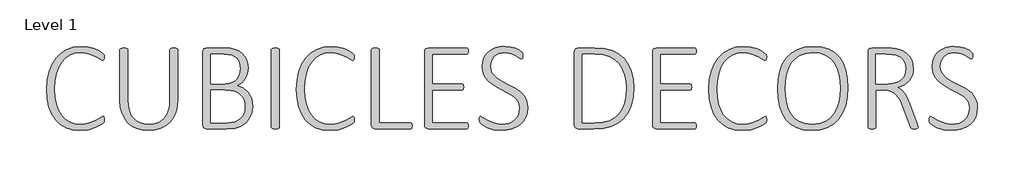
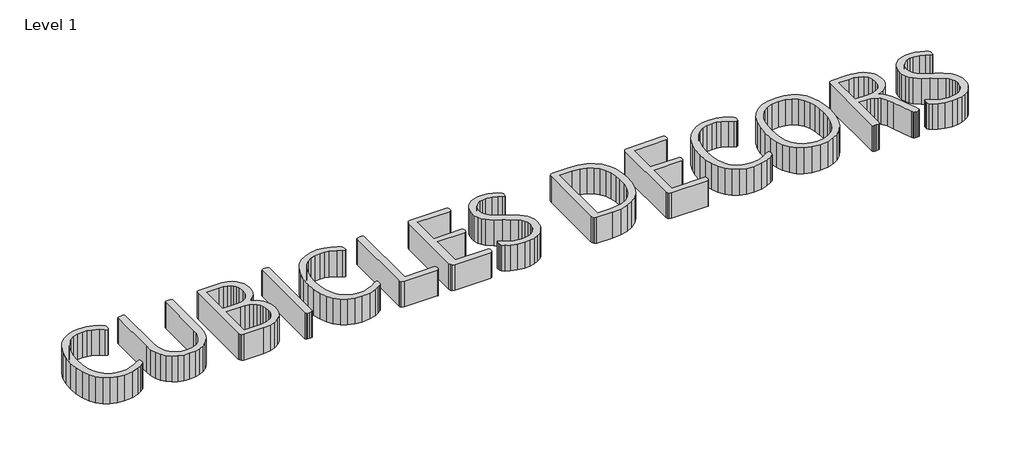
# One storey, part 4 of 4: 1 proxy.
"""IFC4 building model written with IfcOpenShell, lengths in millimetres."""

from ifc_helpers import new_model, si_unit, origin, origin_with_axes, place, context, project, spatial, polyline, outline, extrude, element, save

model = new_model("IFC4")

# Units and contexts
model_context = context("Model", 3, world=origin())
ifc_project = project(units=[si_unit("LENGTHUNIT", "METRE", prefix="MILLI")], contexts=[model_context])

# Site, building, storey
site = spatial("IfcSite", under=ifc_project)
building = spatial("IfcBuilding", under=site)
storey = spatial("IfcBuildingStorey", under=building, Name="Level 1", Elevation=0.0)

# Proxy
placement = place(None, origin())
element("IfcBuildingElementProxy", 1, Name="Generic Models", at=placement, inside=storey, context=model_context, shape_type="SweptSolid", body=[
    extrude(outline(polyline([(-8197.5542872, 7016.7643686), (-8197.8744716, 7010.8089383), (-8198.8350249, 7006.1342457), (-8200.6280577, 7002.2920325), (-8204.918529, 6997.6173399), (-8218.4943487, 6988.1398809), (-8244.7494716, 6975.1403932), (-8281.1224224, 6964.1260489), (-8326.5245741, 6959.5153932), (-8364.4824378, 6963.0854495), (-8398.6941437, 6973.7956186), (-8428.6153784, 6991.3737436), (-8453.7018282, 7015.5476678), (-8473.7613825, 7046.2053266), (-8488.6019306, 7083.2346555), (-8497.7752144, 7126.2994608), (-8500.8329757, 7175.0635489), (-8497.5510853, 7225.3485131), (-8487.7054142, 7270.1583235), (-8471.9043128, 7309.0607313), (-8450.7561315, 7341.6234875), (-8424.5490362, 7367.558426), (-8393.5711929, 7386.5773809), (-8358.4309521, 7398.2481032), (-8319.7366642, 7402.138344), (-8282.8514183, 7398.6163153), (-8249.8083855, 7389.5871145), (-8222.7207831, 7376.9718481), (-8206.2633036, 7365.5092457), (-8200.6280577, 7359.4897784), (-8198.8350249, 7355.6475653), (-8197.8744716, 7350.780762), (-8197.5542872, 7344.7612948), (-8198.0665823, 7337.8453112), (-8199.7315413, 7332.7863973), (-8202.5491642, 7329.5205161), (-8206.5194511, 7328.3678522), (-8219.5829757, 7334.7075039), (-8241.8037749, 7348.8596555), (-8275.4871765, 7363.0118071), (-8297.3077452, 7367.7665459), (-8322.9385085, 7369.3514588), (-8351.8191437, 7366.2136514), (-8378.2663774, 7356.8002293), (-8401.7038774, 7341.2712846), (-8421.5553118, 7319.7869096), (-8437.62857, 7292.5071965), (-8449.7315413, 7259.5922375), (-8457.3199122, 7221.1701063), (-8459.8493692, 7177.3688768), (-8457.5440413, 7135.5207723), (-8450.6280577, 7098.6035079), (-8439.3575659, 7066.8732313), (-8423.9887134, 7040.5860899), (-8404.5054911, 7019.8221299), (-8380.8918896, 7004.6613973), (-8353.4680935, 6995.3920582), (-8322.5542872, 6992.3022784), (-8297.5959112, 6993.8871914), (-8275.9994716, 6998.6419301), (-8241.9318487, 7012.7940817), (-8218.7504962, 7026.9462334), (-8204.8544921, 7033.285885), (-8201.5245741, 7032.5174424), (-8199.4113569, 7029.8278932), (-8198.0665823, 7024.7049424), (-8197.5542872, 7016.7643686)])), origin_with_axes(), (0.0, 0.0, 1.0), 150.0),
    extrude(outline(polyline([(-7812.3083855, 7122.1690817), (-7815.0459624, 7085.3798911), (-7823.2586929, 7052.8811719), (-7836.5143282, 7024.9130623), (-7854.3806192, 7001.7157006), (-7876.6814644, 6983.4331698), (-7903.2407626, 6970.209553), (-7933.6582831, 6962.1889332), (-7967.5337954, 6959.5153932), (-7998.5436571, 6962.0768686), (-8027.0240618, 6969.7612948), (-8052.3666591, 6982.4245889), (-8073.9630987, 6999.9226678), (-8091.493196, 7022.2395223), (-8104.6367667, 7049.3591432), (-8112.8494972, 7081.1694659), (-8115.5870741, 7117.558426), (-8115.5870741, 7385.3606801), (-8114.5624839, 7388.9467457), (-8111.0404552, 7391.6362948), (-8104.8288774, 7393.3012539), (-8095.0952708, 7393.9416227), (-8085.2976274, 7393.3012539), (-8078.9579757, 7391.6362948), (-8075.6280577, 7388.9467457), (-8074.6034675, 7385.2326063), (-8074.6034675, 7121.7848604), (-8072.7143794, 7091.4954137), (-8067.0471151, 7065.1762539), (-8057.7777759, 7042.8914178), (-8045.0824634, 7024.7049424), (-8029.1692974, 7010.5688), (-8010.2463978, 7000.4349629), (-7988.4578476, 6994.3354495), (-7963.9477298, 6992.3022784), (-7939.2294921, 6994.2554034), (-7917.3288774, 7000.1147784), (-7898.4059778, 7009.9764588), (-7882.6208855, 7023.9364998), (-7870.069656, 7041.8828368), (-7860.8483446, 7063.7034055), (-7855.1810802, 7089.5262795), (-7853.2919921, 7119.4795325), (-7853.2919921, 7385.2326063), (-7852.2674019, 7388.9467457), (-7848.9374839, 7391.6362948), (-7842.5978323, 7393.3012539), (-7832.8001888, 7393.9416227), (-7823.0025454, 7393.3012539), (-7816.6628937, 7391.6362948), (-7813.3329757, 7388.9467457), (-7812.3083855, 7385.3606801), (-7812.3083855, 7122.1690817)])), origin_with_axes(), (0.0, 0.0, 1.0), 150.0),
    extrude(outline(polyline([(-7418.8657626, 7087.4610899), (-7423.2843077, 7052.4329137), (-7435.7715003, 7022.9759465), (-7455.5588978, 6999.4744096), (-7482.0701683, 6982.1204137), (-7514.088611, 6971.362217), (-7554.1116642, 6967.7121145), (-7662.9743692, 6967.7121145), (-7675.0133036, 6972.1306596), (-7679.6239593, 6978.4222836), (-7681.1608446, 6988.4600653), (-7681.1608446, 7373.1936719), (-7679.5919409, 7383.2314536), (-7674.8852298, 7389.5230776), (-7662.7182216, 7393.9416227), (-7571.4016233, 7393.9416227), (-7537.7822585, 7392.0525346), (-7511.2069511, 7386.3852702), (-7490.1868435, 7377.2440049), (-7473.2330782, 7364.9329137), (-7460.1855628, 7349.548052), (-7450.8842052, 7331.1854752), (-7445.3129962, 7310.2454137), (-7443.4559265, 7287.1280981), (-7446.9139183, 7258.2474629), (-7457.2878937, 7232.6967457), (-7474.5778528, 7211.3724629), (-7499.0399429, 7195.2992047), (-7467.9820536, 7182.8760489), (-7442.4953733, 7159.8868071), (-7425.2054142, 7127.612217), (-7420.4506755, 7108.3851422), (-7418.8657626, 7087.4610899)]), holes=[polyline([(-7484.4395331, 7285.5912129), (-7489.0501888, 7316.7131391), (-7495.0376376, 7329.6485899), (-7503.7786724, 7340.5348604), (-7515.4173763, 7349.2758952), (-7530.0978323, 7355.7756391), (-7549.0047226, 7359.8099629), (-7573.3227298, 7361.1547375), (-7640.177238, 7361.1547375), (-7640.177238, 7205.4170325), (-7566.7909675, 7205.4170325), (-7544.9223712, 7207.0499731), (-7527.7284675, 7211.9487948), (-7514.1846663, 7219.6172118), (-7503.2663774, 7229.5589383), (-7489.0501888, 7255.2377293), (-7484.4395331, 7285.5912129)]), polyline([(-7459.8493692, 7083.3627293), (-7461.5143282, 7103.8705418), (-7466.5092052, 7121.8488973), (-7474.7059265, 7137.2017405), (-7485.9764183, 7149.8330161), (-7500.3046714, 7159.7267149), (-7517.6746765, 7166.8668276), (-7538.8228579, 7171.1893174), (-7564.4856396, 7172.6301473), (-7640.177238, 7172.6301473), (-7640.177238, 7000.4989998), (-7548.6044921, 7000.4989998), (-7512.935947, 7005.8140612), (-7485.6562339, 7021.5030981), (-7475.026111, 7033.1578112), (-7466.8293896, 7047.3739998), (-7461.5943743, 7064.1196452), (-7459.8493692, 7083.3627293)])]), origin_with_axes(), (0.0, 0.0, 1.0), 150.0),
    extrude(outline(polyline([(-7279.5215003, 6976.1649834), (-7280.5460905, 6972.5789178), (-7283.8760085, 6969.9534055), (-7290.0875864, 6968.3524834), (-7300.0133036, 6967.7121145), (-7309.810947, 6968.3524834), (-7316.1505987, 6969.9534055), (-7319.4805167, 6972.5789178), (-7320.5051069, 6976.1649834), (-7320.5051069, 7385.4887539), (-7319.3524429, 7389.0748194), (-7315.6383036, 7391.7003317), (-7309.2346151, 7393.3012539), (-7300.0133036, 7393.9416227), (-7290.0875864, 7393.3012539), (-7283.8760085, 7391.7003317), (-7280.5460905, 7389.0748194), (-7279.5215003, 7385.4887539), (-7279.5215003, 6976.1649834)])), origin_with_axes(), (0.0, 0.0, 1.0), 150.0),
    extrude(outline(polyline([(-6886.0788774, 7016.7643686), (-6886.3990618, 7010.8089383), (-6887.3596151, 7006.1342457), (-6889.1526478, 7002.2920325), (-6893.4431192, 6997.6173399), (-6907.0189388, 6988.1398809), (-6933.2740618, 6975.1403932), (-6969.6470126, 6964.1260489), (-7015.0491642, 6959.5153932), (-7053.007028, 6963.0854495), (-7087.2187339, 6973.7956186), (-7117.1399685, 6991.3737436), (-7142.2264183, 7015.5476678), (-7162.2859726, 7046.2053266), (-7177.1265208, 7083.2346555), (-7186.2998046, 7126.2994608), (-7189.3575659, 7175.0635489), (-7186.0756755, 7225.3485131), (-7176.2300044, 7270.1583235), (-7160.428903, 7309.0607313), (-7139.2807216, 7341.6234875), (-7113.0736263, 7367.558426), (-7082.0957831, 7386.5773809), (-7046.9555423, 7398.2481032), (-7008.2612544, 7402.138344), (-6971.3760085, 7398.6163153), (-6938.3329757, 7389.5871145), (-6911.2453733, 7376.9718481), (-6894.7878937, 7365.5092457), (-6889.1526478, 7359.4897784), (-6887.3596151, 7355.6475653), (-6886.3990618, 7350.780762), (-6886.0788774, 7344.7612948), (-6886.5911724, 7337.8453112), (-6888.2561315, 7332.7863973), (-6891.0737544, 7329.5205161), (-6895.0440413, 7328.3678522), (-6908.1075659, 7334.7075039), (-6930.3283651, 7348.8596555), (-6964.0117667, 7363.0118071), (-6985.8323353, 7367.7665459), (-7011.4630987, 7369.3514588), (-7040.3437339, 7366.2136514), (-7066.7909675, 7356.8002293), (-7090.2284675, 7341.2712846), (-7110.0799019, 7319.7869096), (-7126.1531601, 7292.5071965), (-7138.2561315, 7259.5922375), (-7145.8445024, 7221.1701063), (-7148.3739593, 7177.3688768), (-7146.0686315, 7135.5207723), (-7139.1526478, 7098.6035079), (-7127.882156, 7066.8732313), (-7112.5133036, 7040.5860899), (-7093.0300812, 7019.8221299), (-7069.4164798, 7004.6613973), (-7041.9926837, 6995.3920582), (-7011.0788774, 6992.3022784), (-6986.1205013, 6993.8871914), (-6964.5240618, 6998.6419301), (-6930.4564388, 7012.7940817), (-6907.2750864, 7026.9462334), (-6893.3790823, 7033.285885), (-6890.0491642, 7032.5174424), (-6887.935947, 7029.8278932), (-6886.5911724, 7024.7049424), (-6886.0788774, 7016.7643686)])), origin_with_axes(), (0.0, 0.0, 1.0), 150.0),
    extrude(outline(polyline([(-6582.8001888, 6984.2336309), (-6583.4405577, 6977.1895735), (-6585.4257011, 6972.0025858), (-6588.7556192, 6968.7367047), (-6593.302238, 6967.7121145), (-6777.47232, 6967.7121145), (-6789.7033651, 6972.1306596), (-6794.3620485, 6978.3902651), (-6795.9149429, 6988.3319916), (-6795.9149429, 7385.3606801), (-6794.8903528, 7389.0107825), (-6791.5604347, 7391.6362948), (-6785.2207831, 7393.3012539), (-6775.4231396, 7393.9416227), (-6765.4974224, 7393.3012539), (-6759.2858446, 7391.6362948), (-6755.9559265, 7388.9467457), (-6754.9313364, 7385.3606801), (-6754.9313364, 7000.4989998), (-6593.302238, 7000.4989998), (-6588.6915823, 6999.4744096), (-6585.4257011, 6996.5287129), (-6583.4405577, 6991.4697989), (-6582.8001888, 6984.2336309)])), origin_with_axes(), (0.0, 0.0, 1.0), 150.0),
    extrude(outline(polyline([(-6287.7182216, 6983.9774834), (-6288.3585905, 6976.9974629), (-6290.5358446, 6971.874512), (-6294.0578733, 6968.7367047), (-6298.3483446, 6967.7121145), (-6498.6557216, 6967.7121145), (-6510.9508036, 6972.1306596), (-6515.6575146, 6978.4222836), (-6517.2264183, 6988.4600653), (-6517.2264183, 7373.1936719), (-6515.6254962, 7383.2314536), (-6510.8227298, 7389.5230776), (-6498.3995741, 7393.9416227), (-6298.092197, 7393.9416227), (-6293.7376888, 7392.9170325), (-6290.3437339, 7389.7792252), (-6288.3585905, 7384.4641637), (-6287.7182216, 7377.035885), (-6288.3585905, 7370.1839383), (-6290.3437339, 7365.1890612), (-6293.7376888, 7362.1793276), (-6298.092197, 7361.1547375), (-6476.2428118, 7361.1547375), (-6476.2428118, 7205.4170325), (-6323.0665823, 7205.4170325), (-6318.3278528, 7204.3284055), (-6314.9338978, 7201.1905981), (-6312.9487544, 7195.8755366), (-6312.3083855, 7188.2551473), (-6312.9487544, 7181.2110899), (-6314.9338978, 7176.4083235), (-6318.3278528, 7173.5907006), (-6323.0665823, 7172.6301473), (-6476.2428118, 7172.6301473), (-6476.2428118, 7000.4989998), (-6298.2202708, 7000.4989998), (-6293.9297995, 6999.4744096), (-6290.4718077, 6996.464676), (-6288.3585905, 6991.3417252), (-6287.7182216, 6983.9774834)])), origin_with_axes(), (0.0, 0.0, 1.0), 150.0),
    extrude(outline(polyline([(-5976.2428118, 7079.3924424), (-5978.8042872, 7052.8011258), (-5986.4887134, 7029.1234875), (-5998.7998046, 7008.5836565), (-6015.2412749, 6991.405762), (-6035.4929399, 6977.733887), (-6059.2346151, 6967.7121145), (-6085.8739593, 6961.5645735), (-6114.8186315, 6959.5153932), (-6153.6249839, 6963.7418276), (-6186.0276478, 6973.9236924), (-6209.9774429, 6985.9626268), (-6223.3611519, 6996.2725653), (-6228.6762134, 7005.0456186), (-6230.3411724, 7016.2520735), (-6229.7008036, 7024.5128317), (-6227.8437339, 7029.8278932), (-6224.8340003, 7032.5814793), (-6220.9917872, 7033.285885), (-6207.8642257, 7026.8181596), (-6185.8995741, 7012.7940817), (-6153.6249839, 6998.7700039), (-6133.2612544, 6993.9192098), (-6109.8237544, 6992.3022784), (-6072.4902503, 6998.129635), (-6056.6891489, 7005.22172), (-6043.2253937, 7014.843262), (-6032.2910956, 7027.0102702), (-6024.0783651, 7041.7387539), (-6018.939405, 7058.8366022), (-6017.2264183, 7078.1117047), (-6019.3396355, 7096.9225397), (-6025.6792872, 7112.8837334), (-6035.4929399, 7126.5395991), (-6048.0281601, 7138.4344506), (-6079.5343077, 7158.3499219), (-6115.5870741, 7176.2162129), (-6151.6398405, 7195.683426), (-6183.145988, 7220.209553), (-6195.6812083, 7235.4503317), (-6205.494861, 7253.124512), (-6211.8345126, 7273.6003061), (-6213.9477298, 7297.245926), (-6211.7704757, 7320.4592969), (-6205.2387134, 7341.1752293), (-6194.7526735, 7359.169594), (-6180.7125864, 7374.218262), (-6163.3105628, 7386.1931596), (-6142.7387134, 7394.9662129), (-6119.5253425, 7400.3453112), (-6094.1987544, 7402.138344), (-6067.3032626, 7399.2566842), (-6041.6244716, 7391.8924424), (-6020.0440413, 7381.7746145), (-6007.4928118, 7372.7454137), (-6003.5865618, 7368.0707211), (-6002.1137134, 7364.740803), (-6001.1531601, 7359.9380366), (-6000.8329757, 7353.0860899), (-6001.3452708, 7346.2981801), (-6002.8181192, 7341.0471555), (-6005.1874839, 7337.7172375), (-6008.5174019, 7336.5645735), (-6019.3396355, 7341.6234875), (-6037.4620741, 7352.9580161), (-6063.4610495, 7364.2925448), (-6097.78482, 7369.3514588), (-6115.5390464, 7367.9426473), (-6130.8918896, 7363.7162129), (-6154.3293896, 7348.4113973), (-6168.2894306, 7325.678303), (-6172.9641233, 7298.1424424), (-6170.850906, 7279.235552), (-6164.5112544, 7263.2423399), (-6142.1623815, 7237.5635489), (-6110.592197, 7217.455967), (-6074.6034675, 7199.5256391), (-6038.614738, 7180.2505366), (-6007.0445536, 7155.8524834), (-5994.5093333, 7140.5956954), (-5984.6956806, 7123.0015612), (-5978.356029, 7102.7178778), (-5976.2428118, 7079.3924424)])), origin_with_axes(), (0.0, 0.0, 1.0), 150.0),
    extrude(outline(polyline([(-5418.8657626, 7187.1024834), (-5422.2276991, 7136.5933901), (-5432.3135085, 7092.3919301), (-5448.9470894, 7054.6902139), (-5471.9523405, 7023.6803522), (-5501.217197, 6999.3943635), (-5536.6295946, 6981.8642661), (-5578.8459112, 6971.2501524), (-5628.5225249, 6967.7121145), (-5712.0266233, 6967.7121145), (-5724.1295946, 6972.1306596), (-5728.788278, 6978.4222836), (-5730.3411724, 6988.4600653), (-5730.3411724, 7373.1936719), (-5728.788278, 7383.2314536), (-5724.1295946, 7389.5230776), (-5712.0266233, 7393.9416227), (-5622.887279, 7393.9416227), (-5573.0665823, 7390.2434926), (-5531.6987544, 7379.1491022), (-5497.5670946, 7361.2507928), (-5469.4549019, 7337.1409055), (-5447.4422226, 7307.2196709), (-5431.6091028, 7271.8873194), (-5422.0515976, 7231.6721555), (-5418.8657626, 7187.1024834)]), holes=[polyline([(-5459.8493692, 7185.1813768), (-5462.1867155, 7221.6984106), (-5469.1987544, 7255.4298399), (-5481.1096151, 7285.5431852), (-5498.1434265, 7311.205967), (-5520.316198, 7332.0980008), (-5547.6439388, 7347.8991022), (-5581.6635341, 7357.8408286), (-5623.9118692, 7361.1547375), (-5689.3575659, 7361.1547375), (-5689.3575659, 7000.4989998), (-5623.6557216, 7000.4989998), (-5583.5686315, 7003.2205674), (-5550.1413774, 7011.3852702), (-5522.557489, 7025.2492559), (-5500.0004962, 7045.0686719), (-5482.4543896, 7070.8435182), (-5469.9031601, 7102.5737948), (-5462.3628169, 7140.5796862), (-5459.8493692, 7185.1813768)])]), origin_with_axes(), (0.0, 0.0, 1.0), 150.0),
    extrude(outline(polyline([(-5090.9969101, 6983.9774834), (-5091.637279, 6976.9974629), (-5093.8145331, 6971.874512), (-5097.3365618, 6968.7367047), (-5101.6270331, 6967.7121145), (-5301.9344101, 6967.7121145), (-5314.2294921, 6972.1306596), (-5318.9362032, 6978.4222836), (-5320.5051069, 6988.4600653), (-5320.5051069, 7373.1936719), (-5318.9041847, 7383.2314536), (-5314.1014183, 7389.5230776), (-5301.6782626, 7393.9416227), (-5101.3708855, 7393.9416227), (-5097.0163774, 7392.9170325), (-5093.6224224, 7389.7792252), (-5091.637279, 7384.4641637), (-5090.9969101, 7377.035885), (-5091.637279, 7370.1839383), (-5093.6224224, 7365.1890612), (-5097.0163774, 7362.1793276), (-5101.3708855, 7361.1547375), (-5279.5215003, 7361.1547375), (-5279.5215003, 7205.4170325), (-5126.3452708, 7205.4170325), (-5121.6065413, 7204.3284055), (-5118.2125864, 7201.1905981), (-5116.2274429, 7195.8755366), (-5115.5870741, 7188.2551473), (-5116.2274429, 7181.2110899), (-5118.2125864, 7176.4083235), (-5121.6065413, 7173.5907006), (-5126.3452708, 7172.6301473), (-5279.5215003, 7172.6301473), (-5279.5215003, 7000.4989998), (-5101.4989593, 7000.4989998), (-5097.208488, 6999.4744096), (-5093.7504962, 6996.464676), (-5091.637279, 6991.3417252), (-5090.9969101, 6983.9774834)])), origin_with_axes(), (0.0, 0.0, 1.0), 150.0),
    extrude(outline(polyline([(-4722.1444511, 7016.7643686), (-4722.4646355, 7010.8089383), (-4723.4251888, 7006.1342457), (-4725.2182216, 7002.2920325), (-4729.5086929, 6997.6173399), (-4743.0845126, 6988.1398809), (-4769.3396355, 6975.1403932), (-4805.7125864, 6964.1260489), (-4851.114738, 6959.5153932), (-4889.0726017, 6963.0854495), (-4923.2843077, 6973.7956186), (-4953.2055423, 6991.3737436), (-4978.2919921, 7015.5476678), (-4998.3515464, 7046.2053266), (-5013.1920946, 7083.2346555), (-5022.3653784, 7126.2994608), (-5025.4231396, 7175.0635489), (-5022.1412493, 7225.3485131), (-5012.2955782, 7270.1583235), (-4996.4944767, 7309.0607313), (-4975.3462954, 7341.6234875), (-4949.1392001, 7367.558426), (-4918.1613569, 7386.5773809), (-4883.0211161, 7398.2481032), (-4844.3268282, 7402.138344), (-4807.4415823, 7398.6163153), (-4774.3985495, 7389.5871145), (-4747.310947, 7376.9718481), (-4730.8534675, 7365.5092457), (-4725.2182216, 7359.4897784), (-4723.4251888, 7355.6475653), (-4722.4646355, 7350.780762), (-4722.1444511, 7344.7612948), (-4722.6567462, 7337.8453112), (-4724.3217052, 7332.7863973), (-4727.1393282, 7329.5205161), (-4731.1096151, 7328.3678522), (-4744.1731396, 7334.7075039), (-4766.3939388, 7348.8596555), (-4800.0773405, 7363.0118071), (-4821.8979091, 7367.7665459), (-4847.5286724, 7369.3514588), (-4876.4093077, 7366.2136514), (-4902.8565413, 7356.8002293), (-4926.2940413, 7341.2712846), (-4946.1454757, 7319.7869096), (-4962.2187339, 7292.5071965), (-4974.3217052, 7259.5922375), (-4981.9100761, 7221.1701063), (-4984.4395331, 7177.3688768), (-4982.1342052, 7135.5207723), (-4975.2182216, 7098.6035079), (-4963.9477298, 7066.8732313), (-4948.5788774, 7040.5860899), (-4929.095655, 7019.8221299), (-4905.4820536, 7004.6613973), (-4878.0582575, 6995.3920582), (-4847.1444511, 6992.3022784), (-4822.1860751, 6993.8871914), (-4800.5896355, 6998.6419301), (-4766.5220126, 7012.7940817), (-4743.3406601, 7026.9462334), (-4729.444656, 7033.285885), (-4726.114738, 7032.5174424), (-4724.0015208, 7029.8278932), (-4722.6567462, 7024.7049424), (-4722.1444511, 7016.7643686)])), origin_with_axes(), (0.0, 0.0, 1.0), 150.0),
    extrude(outline(polyline([(-4295.9149429, 7185.8217457), (-4298.8446304, 7136.6414178), (-4307.6336929, 7092.3278932), (-4322.2661212, 7053.5535592), (-4342.725906, 7020.990803), (-4369.1411212, 6994.8957723), (-4401.6398405, 6975.5246145), (-4440.1420177, 6963.5176985), (-4484.5676069, 6959.5153932), (-4528.7210392, 6963.3095786), (-4566.1505987, 6974.692135), (-4597.1764696, 6993.1187487), (-4622.1188364, 7018.0451063), (-4641.1377913, 7049.343134), (-4654.3934265, 7086.8847579), (-4662.1739081, 7130.1256647), (-4664.7674019, 7178.5215407), (-4661.8857421, 7226.8053522), (-4653.2407626, 7270.4785079), (-4638.7043896, 7308.7885745), (-4618.1485495, 7340.9831186), (-4591.6212698, 7366.838011), (-4559.1705782, 7386.1291227), (-4520.7004194, 7398.1360387), (-4476.114738, 7402.138344), (-4432.7617667, 7398.3921862), (-4395.6844101, 7387.1537129), (-4364.6745485, 7368.9192098), (-4339.5240618, 7344.1849629), (-4320.1849224, 7313.1911104), (-4306.6091028, 7276.1777907), (-4298.5884829, 7233.5772528), (-4295.9149429, 7185.8217457)]), holes=[polyline([(-4336.8985495, 7181.8514588), (-4338.6915823, 7219.8093225), (-4344.0706806, 7255.3017661), (-4353.5801581, 7287.3522272), (-4367.7643282, 7314.9841432), (-4386.991403, 7337.6692098), (-4411.6295946, 7354.8791227), (-4442.2232165, 7365.7333748), (-4479.3165823, 7369.3514588), (-4516.2658651, 7365.5572733), (-4546.9395331, 7354.174717), (-4571.8818999, 7336.4044813), (-4591.637279, 7313.4472579), (-4606.3817718, 7285.7513051), (-4616.2914798, 7253.7648809), (-4621.9107165, 7218.7206954), (-4623.7837954, 7181.8514588), (-4622.0708087, 7143.0451063), (-4616.9318487, 7107.0563768), (-4607.7105372, 7074.7177498), (-4593.7504962, 7046.8617047), (-4574.6675044, 7024.0325551), (-4550.0773405, 7006.7746145), (-4519.2916079, 6995.9203625), (-4481.6219101, 6992.3022784), (-4444.2403784, 6996.17651), (-4413.2945536, 7007.7992047), (-4388.2561315, 7025.9376524), (-4368.5968077, 7049.3591432), (-4354.0284163, 7077.487345), (-4344.2627913, 7109.745926), (-4338.7396099, 7144.9341944), (-4336.8985495, 7181.8514588)])]), origin_with_axes(), (0.0, 0.0, 1.0), 150.0),
    extrude(outline(polyline([(-3927.0624839, 6977.0614998), (-3927.8309265, 6973.0912129), (-3930.7766233, 6970.209553), (-3936.7960905, 6968.3524834), (-3946.529697, 6967.7121145), (-3955.2387134, 6968.2244096), (-3961.2581806, 6970.2735899), (-3965.2284675, 6974.3079137), (-3968.0460905, 6980.7756391), (-4007.364738, 7086.4364998), (-4021.9651478, 7120.1839383), (-4040.7919921, 7147.5917252), (-4052.9590003, 7157.9657006), (-4067.4313364, 7165.9062743), (-4084.5932216, 7170.9491791), (-4104.8288774, 7172.6301473), (-4148.3739593, 7172.6301473), (-4148.3739593, 6976.4211309), (-4149.3985495, 6972.7710284), (-4152.7284675, 6970.0814793), (-4158.9400454, 6968.4165202), (-4168.8657626, 6967.7121145), (-4178.663406, 6968.3524834), (-4185.0030577, 6970.0174424), (-4188.3329757, 6972.6429547), (-4189.3575659, 6976.2930571), (-4189.3575659, 7373.3217457), (-4187.8046714, 7383.2634721), (-4183.145988, 7389.5230776), (-4171.0430167, 7393.9416227), (-4091.637279, 7393.9416227), (-4065.5742667, 7393.1091432), (-4046.8114593, 7390.995926), (-4024.1584112, 7385.5848092), (-4004.6111519, 7377.5481801), (-3988.1696817, 7367.126177), (-3974.8340003, 7354.5589383), (-3964.5720894, 7340.0385745), (-3957.3519306, 7323.7571965), (-3951.6526478, 7286.7438768), (-3953.109487, 7267.228636), (-3957.4800044, 7249.9226678), (-3974.0655577, 7221.362217), (-3999.7443487, 7200.0379342), (-4032.5952708, 7184.9252293), (-4013.7043896, 7172.5661104), (-3998.1434265, 7154.8278932), (-3984.6316437, 7130.8780981), (-3971.8883036, 7100.5246145), (-3933.4661724, 6999.4744096), (-3928.151111, 6983.4651883), (-3927.0624839, 6977.0614998)]), holes=[polyline([(-3992.6362544, 7283.1578112), (-3995.6780065, 7308.244261), (-4004.8032626, 7329.2003317), (-4021.1006499, 7345.4176729), (-4045.6587954, 7356.2879342), (-4066.3427093, 7360.0020735), (-4095.7356396, 7361.1547375), (-4148.3739593, 7361.1547375), (-4148.3739593, 7205.4170325), (-4087.154697, 7205.4170325), (-4064.1654552, 7206.9379086), (-4044.6342052, 7211.5005366), (-4028.3688364, 7218.688677), (-4015.177238, 7228.0860899), (-4005.0754194, 7239.4846555), (-3998.0793896, 7252.6762539), (-3992.6362544, 7283.1578112)])]), origin_with_axes(), (0.0, 0.0, 1.0), 150.0),
    extrude(outline(polyline([(-3615.5870741, 7079.3924424), (-3618.1485495, 7052.8011258), (-3625.8329757, 7029.1234875), (-3638.1440669, 7008.5836565), (-3654.5855372, 6991.405762), (-3674.8372021, 6977.733887), (-3698.5788774, 6967.7121145), (-3725.2182216, 6961.5645735), (-3754.1628937, 6959.5153932), (-3792.9692462, 6963.7418276), (-3825.3719101, 6973.9236924), (-3849.3217052, 6985.9626268), (-3862.7054142, 6996.2725653), (-3868.0204757, 7005.0456186), (-3869.6854347, 7016.2520735), (-3869.0450659, 7024.5128317), (-3867.1879962, 7029.8278932), (-3864.1782626, 7032.5814793), (-3860.3360495, 7033.285885), (-3847.208488, 7026.8181596), (-3825.2438364, 7012.7940817), (-3792.9692462, 6998.7700039), (-3772.6055167, 6993.9192098), (-3749.1680167, 6992.3022784), (-3711.8345126, 6998.129635), (-3696.0334112, 7005.22172), (-3682.569656, 7014.843262), (-3671.6353579, 7027.0102702), (-3663.4226274, 7041.7387539), (-3658.2836673, 7058.8366022), (-3656.5706806, 7078.1117047), (-3658.6838978, 7096.9225397), (-3665.0235495, 7112.8837334), (-3674.8372021, 7126.5395991), (-3687.3724224, 7138.4344506), (-3718.87857, 7158.3499219), (-3754.9313364, 7176.2162129), (-3790.9841028, 7195.683426), (-3822.4902503, 7220.209553), (-3835.0254706, 7235.4503317), (-3844.8391233, 7253.124512), (-3851.1787749, 7273.6003061), (-3853.2919921, 7297.245926), (-3851.114738, 7320.4592969), (-3844.5829757, 7341.1752293), (-3834.0969358, 7359.169594), (-3820.0568487, 7374.218262), (-3802.6548251, 7386.1931596), (-3782.0829757, 7394.9662129), (-3758.8696048, 7400.3453112), (-3733.5430167, 7402.138344), (-3706.6475249, 7399.2566842), (-3680.9687339, 7391.8924424), (-3659.3883036, 7381.7746145), (-3646.8370741, 7372.7454137), (-3642.9308241, 7368.0707211), (-3641.4579757, 7364.740803), (-3640.4974224, 7359.9380366), (-3640.177238, 7353.0860899), (-3640.6895331, 7346.2981801), (-3642.1623815, 7341.0471555), (-3644.5317462, 7337.7172375), (-3647.8616642, 7336.5645735), (-3658.6838978, 7341.6234875), (-3676.8063364, 7352.9580161), (-3702.8053118, 7364.2925448), (-3737.1290823, 7369.3514588), (-3754.8833087, 7367.9426473), (-3770.2361519, 7363.7162129), (-3793.6736519, 7348.4113973), (-3807.6336929, 7325.678303), (-3812.3083855, 7298.1424424), (-3810.1951683, 7279.235552), (-3803.8555167, 7263.2423399), (-3781.5066437, 7237.5635489), (-3749.9364593, 7217.455967), (-3713.9477298, 7199.5256391), (-3677.9590003, 7180.2505366), (-3646.3888159, 7155.8524834), (-3633.8535956, 7140.5956954), (-3624.0399429, 7123.0015612), (-3617.7002913, 7102.7178778), (-3615.5870741, 7079.3924424)])), origin_with_axes(), (0.0, 0.0, 1.0), 150.0),
])

save(model, "model.ifc")
